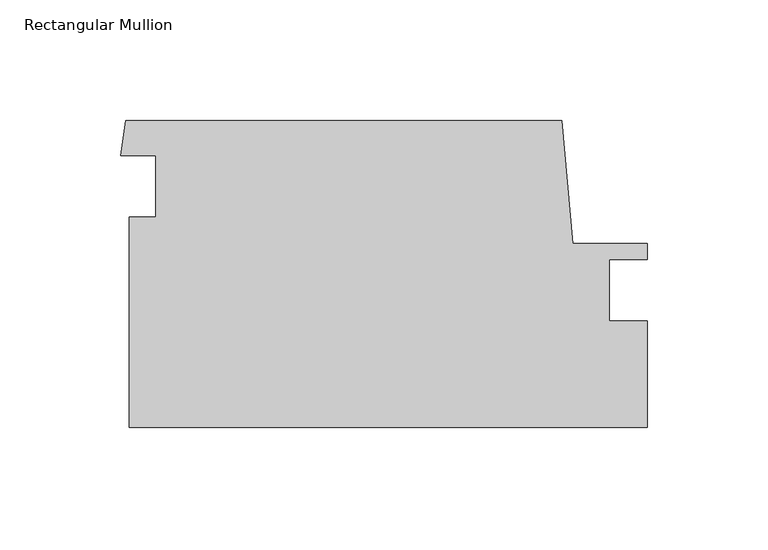
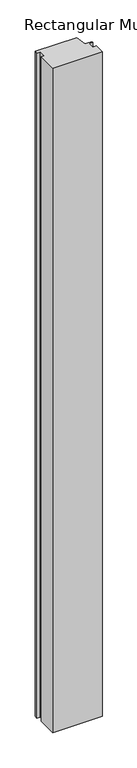
"""IFC4 building model written with IfcOpenShell, lengths in millimetres: member geometry, Rectangular Mullion."""

import ifcopenshell
import ifcopenshell.guid

model = None  # the IFC model being written
_history = None  # IfcOwnerHistory: only IFC2X3 demands one
_inside = {}  # id of a spatial element -> (the spatial element, [elements in it])
_under = {}  # id of a project, library or spatial element -> (it, [spatial elements below it])
_declared = {}  # id of a project -> (the project, [libraries it declares])
_typed = {}  # id of a type object -> (the type object, [elements of that type])
_made_of = {}  # id of a material, layer set ... -> (it, [elements and type objects made of it])


def new_model(schema):
    """Start an empty IFC model of exactly this schema.

    Asked for "IFC4X3", IfcOpenShell would pick the latest addendum, in which some entities
    have other attributes; the version numbers below select the first issue.
    IFC2X3 requires an IfcOwnerHistory on every rooted entity: one is made here for all.
    """
    global model, _history
    if schema == "IFC4X3":
        model = ifcopenshell.file(schema_version=(4, 3, 0, 0))
    else:
        model = ifcopenshell.file(schema=schema)
    _inside.clear()
    _under.clear()
    _declared.clear()
    _typed.clear()
    _made_of.clear()
    _history = None
    if model.schema == "IFC2X3":
        org = make("IfcOrganization", Name="unknown")
        user = make(
            "IfcPersonAndOrganization",
            ThePerson=make("IfcPerson", FamilyName="unknown"),
            TheOrganization=org,
        )
        app = make(
            "IfcApplication",
            ApplicationDeveloper=org,
            Version="unknown",
            ApplicationFullName="unknown",
            ApplicationIdentifier="unknown",
        )
        _history = make(
            "IfcOwnerHistory",
            OwningUser=user,
            OwningApplication=app,
            ChangeAction="ADDED",
            CreationDate=0,
        )
    return model


def make(cls, **values):
    """One entity of the class cls with the attributes given. An attribute that is None is left unset."""
    return model.create_entity(
        cls, **{name: value for name, value in values.items() if value is not None}
    )


def rooted(cls, **values):
    """An entity with a GlobalId (a new one), such as an element, a storey or a relation."""
    return make(cls, GlobalId=ifcopenshell.guid.new(), OwnerHistory=_history, **values)


def si_unit(unit_type, name, prefix=None):
    """IfcSIUnit, for example si_unit("LENGTHUNIT", "METRE", prefix="MILLI")."""
    return make("IfcSIUnit", UnitType=unit_type, Prefix=prefix, Name=name)


def assignment(units):
    """IfcUnitAssignment: the units of a project."""
    return None if units is None else make("IfcUnitAssignment", Units=units)


def point(xyz):
    """IfcCartesianPoint."""
    return None if xyz is None else make("IfcCartesianPoint", Coordinates=xyz)


def direction(xyz):
    """IfcDirection."""
    return None if xyz is None else make("IfcDirection", DirectionRatios=xyz)


def frame(location, z_axis=None, x_axis=None):
    """IfcAxis2Placement3D, a coordinate frame: its origin and axes. An axis left out is left unset."""
    return make(
        "IfcAxis2Placement3D",
        Location=point(location),
        Axis=direction(z_axis),
        RefDirection=direction(x_axis),
    )


def origin():
    """The frame at (0, 0, 0) with its axes left unset."""
    return frame((0.0, 0.0, 0.0))


def place(relative_to, where):
    """IfcLocalPlacement: puts the frame where relative to a parent placement (None: the world)."""
    return make(
        "IfcLocalPlacement", PlacementRelTo=relative_to, RelativePlacement=where
    )


def context(
    kind, dimensions, precision=None, world=None, true_north=None, identifier=None
):
    """IfcGeometricRepresentationContext, for example the 3D "Model" context."""
    return make(
        "IfcGeometricRepresentationContext",
        ContextIdentifier=identifier,
        ContextType=kind,
        CoordinateSpaceDimension=dimensions,
        Precision=precision,
        WorldCoordinateSystem=world,
        TrueNorth=true_north,
    )


def project(units=None, contexts=None):
    """IfcProject with its units and contexts."""
    return rooted(
        "IfcProject",
        Name="project",
        RepresentationContexts=contexts,
        UnitsInContext=assignment(units),
    )


def spatial(cls, under=None, at=None, **own):
    """A site, building, storey or space (cls), placed at a placement, below another one or the project."""
    s = rooted(cls, ObjectPlacement=at, **own)
    if under is not None:
        _under.setdefault(under.id(), (under, []))[1].append(s)
    return s


def polyline(points):
    """IfcPolyline through the points."""
    return make("IfcPolyline", Points=[point(p) for p in points])


def outline(outer, holes=None, kind="AREA"):
    """IfcArbitraryClosedProfileDef: a profile drawn as a closed curve; with holes, ...WithVoids."""
    if holes is None:
        return make("IfcArbitraryClosedProfileDef", ProfileType=kind, OuterCurve=outer)
    return make(
        "IfcArbitraryProfileDefWithVoids",
        ProfileType=kind,
        OuterCurve=outer,
        InnerCurves=holes,
    )


def extrude(swept, where, along, depth):
    """IfcExtrudedAreaSolid: the profile swept, set in the frame where, extruded along a direction by depth."""
    return make(
        "IfcExtrudedAreaSolid",
        SweptArea=swept,
        Position=where,
        ExtrudedDirection=direction(along),
        Depth=depth,
    )


def shape(context_of_items, identifier, shape_type, items):
    """IfcShapeRepresentation: the items that make up one representation, for example the "Body"."""
    return make(
        "IfcShapeRepresentation",
        ContextOfItems=context_of_items,
        RepresentationIdentifier=identifier,
        RepresentationType=shape_type,
        Items=items,
    )


def source(mapping_origin, context_of_items, identifier, shape_type, items):
    """IfcRepresentationMap: a shape defined once, which mapped items show again and again."""
    return make(
        "IfcRepresentationMap",
        MappingOrigin=mapping_origin,
        MappedRepresentation=shape(context_of_items, identifier, shape_type, items),
    )


def transform(
    local_origin,
    x_axis=None,
    y_axis=None,
    z_axis=None,
    scale=None,
    scale2=None,
    scale3=None,
    uniform=True,
):
    """IfcCartesianTransformationOperator3D, or its non-uniform kind. x_axis, y_axis, z_axis: its Axis1, 2, 3."""
    if uniform:
        return make(
            "IfcCartesianTransformationOperator3D",
            Axis1=direction(x_axis),
            Axis2=direction(y_axis),
            LocalOrigin=point(local_origin),
            Scale=scale,
            Axis3=direction(z_axis),
        )
    return make(
        "IfcCartesianTransformationOperator3DnonUniform",
        Axis1=direction(x_axis),
        Axis2=direction(y_axis),
        LocalOrigin=point(local_origin),
        Scale=scale,
        Axis3=direction(z_axis),
        Scale2=scale2,
        Scale3=scale3,
    )


def mapped(mapping_source, mapping_target):
    """IfcMappedItem: shows the shape of a source again, moved by a transform."""
    return make(
        "IfcMappedItem", MappingSource=mapping_source, MappingTarget=mapping_target
    )


def made_of(thing, what):
    """Note that an element or type object is made of a material, layer set ...; save() writes the relation."""
    if what is not None:
        _made_of.setdefault(what.id(), (what, []))[1].append(thing)
    return thing


def element(
    cls,
    number,
    at=None,
    inside=None,
    cuts=None,
    type_object=None,
    material=None,
    context=None,
    identifier="Body",
    shape_type=None,
    held_by="IfcProductDefinitionShape",
    body=None,
    shapes=None,
    **own,
):
    """One element of the class cls, such as IfcWall. Its Tag is "e" and its number.

    at: its placement. inside: the storey or other place that contains it. cuts: it is an
    opening in that element (IfcRelVoidsElement). A single representation is given by context,
    identifier, shape_type and body (its items); several are given by shapes. held_by: the class
    of the entity that holds the representations. save() writes the other relations.
    """
    e = rooted(cls, Tag="e%d" % number, ObjectPlacement=at, **own)
    if body is not None:
        shapes = [shape(context, identifier, shape_type, body)]
    if shapes is not None:
        e.Representation = make(held_by, Representations=shapes)
    if inside is not None:
        _inside.setdefault(inside.id(), (inside, []))[1].append(e)
    if cuts is not None:
        rooted(
            "IfcRelVoidsElement", RelatingBuildingElement=cuts, RelatedOpeningElement=e
        )
    if type_object is not None:
        _typed.setdefault(type_object.id(), (type_object, []))[1].append(e)
    return made_of(e, material)


def aggregate(whole, parts):
    """IfcRelAggregates: a whole, such as a stair, and the parts it consists of."""
    return rooted("IfcRelAggregates", RelatingObject=whole, RelatedObjects=parts)


def save(model, path):
    """Write the relations noted so far, then the file.

    IfcRelAggregates (storeys below a building ...), IfcRelContainedInSpatialStructure (elements
    in a storey), IfcRelDefinesByType, IfcRelAssociatesMaterial and IfcRelDeclares: one each for
    every whole, place, type object, material and project.
    """
    for whole, parts in _under.values():
        aggregate(whole, parts)
    for where, things in _inside.values():
        rooted(
            "IfcRelContainedInSpatialStructure",
            RelatedElements=things,
            RelatingStructure=where,
        )
    for kind, things in _typed.values():
        rooted("IfcRelDefinesByType", RelatedObjects=things, RelatingType=kind)
    for what, things in _made_of.values():
        rooted("IfcRelAssociatesMaterial", RelatedObjects=things, RelatingMaterial=what)
    for by, libraries in _declared.values():
        rooted("IfcRelDeclares", RelatingContext=by, RelatedDefinitions=libraries)
    model.write(path)


def rectangular_mullion_9697d947(model_context):
    return source(origin(), model_context, "Body", "SweptSolid", [
        extrude(outline(polyline([(-203.1896812, -4.0941986), (-203.1896812, 21.3058014), (-217.6981812, 21.3058014), (-215.6425635, 35.8093265), (-35.3241999, 35.8093265), (-30.783991, -15.0062924), (0.0, -15.0062924), (0.0, -21.5720892), (-15.6209999, -21.5720892), (-15.6209999, -46.9815698), (1e-07, -46.9815698), (1e-07, -91.1972233), (-214.3021812, -91.1972233), (-214.3021812, -4.0941986), (-203.1896812, -4.0941986)])), frame((0.0, 0.0, -3048.0), z_axis=(0.0, 0.0, 1.0), x_axis=(1.0, 0.0, 0.0)), (0.0, 0.0, 1.0), 3048.0),
    ])


if __name__ == "__main__":
    model = new_model("IFC4")
    model_context = context("Model", 3, world=origin())
    ifc_project = project(units=[si_unit("LENGTHUNIT", "METRE", prefix="MILLI")], contexts=[model_context])
    site = spatial("IfcSite", under=ifc_project)
    building = spatial("IfcBuilding", under=site)
    placement = place(None, origin())
    rectangular_mullion_shape = rectangular_mullion_9697d947(model_context)
    element("IfcMember", 1, ObjectType="Rectangular Mullion", at=placement, inside=building, context=model_context, shape_type="MappedRepresentation", body=[
        mapped(rectangular_mullion_shape, transform((0.0, 0.0, 0.0), x_axis=(1.0, 0.0, 0.0), y_axis=(0.0, 1.0, 0.0), z_axis=(0.0, 0.0, 1.0))),
    ])
    save(model, "model.ifc")
